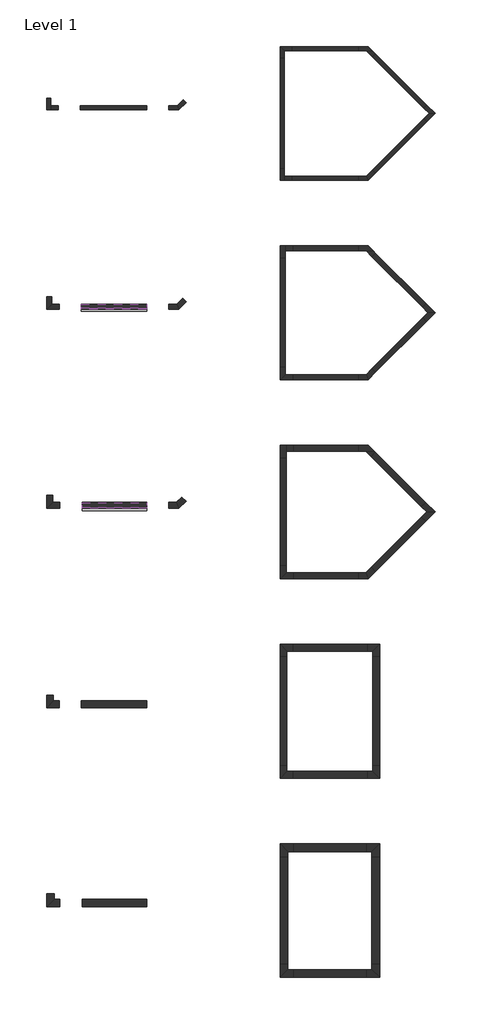
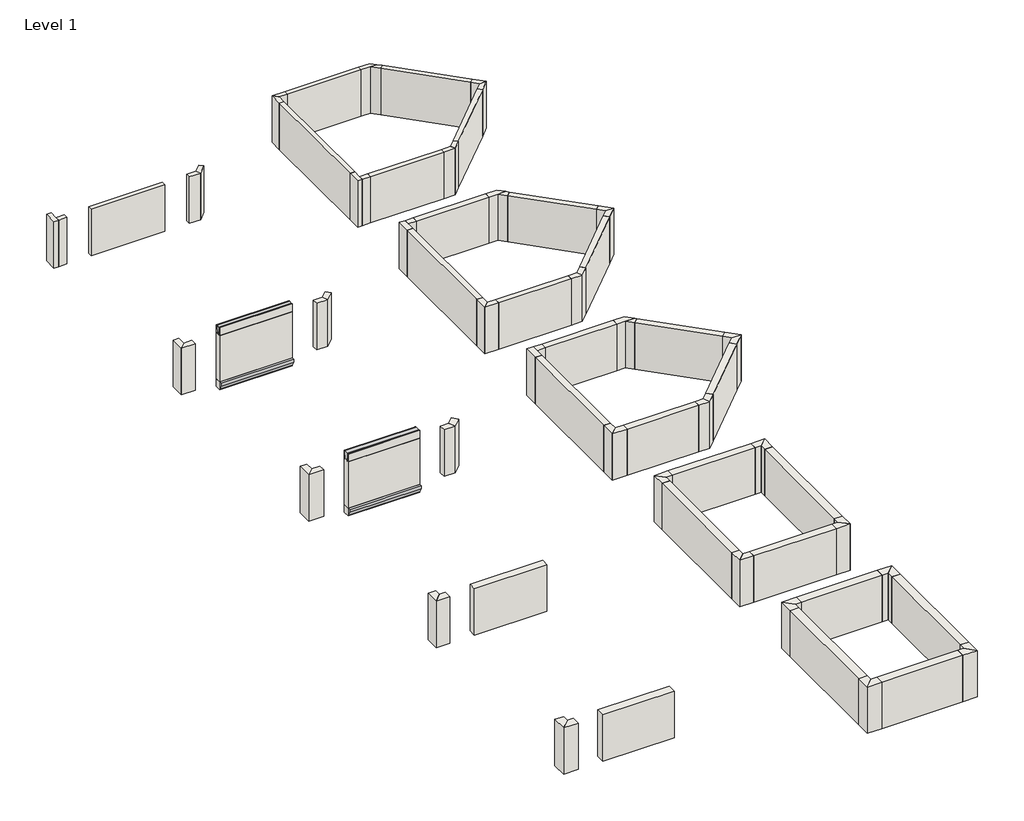
# One storey: 94 walls, 4 proxies.
"""IFC4 building model written with IfcOpenShell, lengths in millimetres."""

from ifc_helpers import new_model, si_unit, frame, origin, origin_with_axes, place, context, project, spatial, polyline, outline, extrude, faceted_brep, element, save

model = new_model("IFC4")

# Units and contexts
model_context = context("Model", 3, world=origin())
ifc_project = project(units=[si_unit("LENGTHUNIT", "METRE", prefix="MILLI")], contexts=[model_context])

# Site, building, storey
site = spatial("IfcSite", under=ifc_project)
building = spatial("IfcBuilding", under=site)
storey = spatial("IfcBuildingStorey", under=building, Name="Level 1", Elevation=0.0)

# Proxies
placement = place(None, origin())
element("IfcBuildingElementProxy", 1, Name="Wall Sweeps", at=placement, inside=storey, context=model_context, shape_type="SweptSolid", body=[
    extrude(outline(polyline([(-22522.9926498, 0.0), (-22522.9926498, -381.0), (-22649.9926498, -146.05), (-22649.9926498, 0.0), (-22522.9926498, 0.0)])), frame((-12667.0820506, 0.0, 0.0), z_axis=(1.0, 0.0, 0.0), x_axis=(0.0, 1.0, 0.0)), (0.0, 0.0, 1.0), 3556.0),
])
element("IfcBuildingElementProxy", 2, Name="Wall Sweeps", at=placement, inside=storey, context=model_context, shape_type="SweptSolid", body=[
    extrude(outline(polyline([(-11550.1926498, 0.0), (-11550.1926498, -381.0), (-11677.1926498, -146.05), (-11677.1926498, 0.0), (-11550.1926498, 0.0)])), frame((-12717.8820506, 0.0, 0.0), z_axis=(1.0, 0.0, 0.0), x_axis=(0.0, 1.0, 0.0)), (0.0, 0.0, 1.0), 3606.8),
])
element("IfcBuildingElementProxy", 3, Name="Wall Sweeps", at=placement, inside=storey, context=model_context, shape_type="SweptSolid", body=[
    extrude(outline(polyline([(-22459.4926498, 2498.725), (-22500.7676498, 2743.2), (-22500.7676498, 2844.8), (-22459.4926498, 2844.8), (-22256.2926498, 2844.8), (-22215.0176498, 2844.8), (-22215.0176498, 2743.2), (-22256.2926498, 2498.725), (-22256.2926498, 2438.4), (-22459.4926498, 2438.4), (-22459.4926498, 2498.725)])), frame((-12667.0820506, 0.0, 0.0), z_axis=(1.0, 0.0, 0.0), x_axis=(0.0, 1.0, 0.0)), (0.0, 0.0, 1.0), 3556.0),
])
element("IfcBuildingElementProxy", 4, Name="Wall Sweeps", at=placement, inside=storey, context=model_context, shape_type="SweptSolid", body=[
    extrude(outline(polyline([(-11486.6926498, 2498.725), (-11527.9676498, 2743.2), (-11527.9676498, 2844.8), (-11486.6926498, 2844.8), (-11334.2926498, 2844.8), (-11293.0176498, 2844.8), (-11293.0176498, 2743.2), (-11334.2926498, 2498.725), (-11334.2926498, 2438.4), (-11486.6926498, 2438.4), (-11486.6926498, 2498.725)])), frame((-12717.8820506, 0.0, 0.0), z_axis=(1.0, 0.0, 0.0), x_axis=(0.0, 1.0, 0.0)), (0.0, 0.0, 1.0), 3606.8),
])

# Walls
element("IfcWall", 5, at=placement, inside=storey, context=model_context, shape_type="Brep", body=[
    faceted_brep([(2527.3298824, 2680.5367059, 0.0), (2991.440662, 2680.5367059, 0.0), (3314.7298824, 2680.5367059, 0.0), (3314.7298824, 2680.5367059, 2438.4), (2991.440662, 2680.5367059, 2438.4), (2527.3298824, 2680.5367059, 2438.4), (2527.3298824, 2909.1367059, 0.0), (2527.3298824, 2909.1367059, 2438.4), (3086.1298824, 2909.1367059, 2438.4), (3086.1298824, 2909.1367059, 0.0)], [[[0, 1, 2, 3, 4, 5]], [[6, 7, 8, 9]], [[2, 1, 0, 6, 9]], [[5, 4, 3, 8, 7]], [[0, 5, 7, 6]], [[3, 2, 9, 8]]]),
])
element("IfcWall", 6, at=placement, inside=storey, context=model_context, shape_type="SweptSolid", body=[
    extrude(outline(polyline([(3319.6165415, 2352.3608264), (2991.440662, 2680.5367059), (3314.7298824, 2680.5367059), (3481.2611517, 2514.0054366), (3319.6165415, 2352.3608264)])), origin_with_axes(), (0.0, 0.0, 1.0), 2438.4),
])
element("IfcWall", 7, at=placement, inside=storey, context=model_context, shape_type="SweptSolid", body=[
    extrude(outline(polyline([(-1536.6701176, 2680.5367059), (-1536.6701176, 2274.1367059), (-1765.2701176, 2274.1367059), (-1765.2701176, 2909.1367059), (-1536.6701176, 2680.5367059)])), origin_with_axes(), (0.0, 0.0, 1.0), 2438.4),
])
element("IfcWall", 8, at=placement, inside=storey, context=model_context, shape_type="SweptSolid", body=[
    extrude(outline(polyline([(-1130.2701176, 2680.5367059), (-1536.6701176, 2680.5367059), (-1765.2701176, 2909.1367059), (-1130.2701176, 2909.1367059), (-1130.2701176, 2680.5367059)])), origin_with_axes(), (0.0, 0.0, 1.0), 2438.4),
])
element("IfcWall", 9, at=placement, inside=storey, context=model_context, shape_type="Brep", body=[
    faceted_brep([(-1765.2701176, -3821.8632941, 0.0), (-1765.2701176, -4456.8632941, 0.0), (-1765.2701176, -4456.8632941, 2438.4), (-1765.2701176, -3821.8632941, 2438.4), (-1536.6701176, -3821.8632941, 0.0), (-1536.6701176, -3821.8632941, 2438.4), (-1536.6701176, -4228.2632941, 2438.4), (-1536.6701176, -4456.8632941, 2438.4), (-1536.6701176, -4456.8632941, 0.0), (-1536.6701176, -4228.2632941, 0.0)], [[[0, 1, 2, 3]], [[4, 5, 6, 7, 8, 9]], [[1, 0, 4, 9, 8]], [[3, 2, 7, 6, 5]], [[0, 3, 5, 4]], [[2, 1, 8, 7]]]),
])
element("IfcWall", 10, at=placement, inside=storey, context=model_context, shape_type="SweptSolid", body=[
    extrude(outline(polyline([(-1130.2701176, -4456.8632941), (-1536.6701176, -4456.8632941), (-1536.6701176, -4228.2632941), (-1130.2701176, -4228.2632941), (-1130.2701176, -4456.8632941)])), origin_with_axes(), (0.0, 0.0, 1.0), 2438.4),
])
element("IfcWall", 11, at=placement, inside=storey, context=model_context, shape_type="SweptSolid", body=[
    extrude(outline(polyline([(6445.840662, -773.8632941), (6158.4724661, -486.4950982), (6320.1170763, -324.8504881), (6769.1298824, -773.8632941), (6445.840662, -773.8632941)])), origin_with_axes(), (0.0, 0.0, 1.0), 2438.4),
])
element("IfcWall", 12, at=placement, inside=storey, context=model_context, shape_type="SweptSolid", body=[
    extrude(outline(polyline([(6158.4724661, -1061.23149), (6445.840662, -773.8632941), (6769.1298824, -773.8632941), (6320.1170763, -1222.8761002), (6158.4724661, -1061.23149)])), origin_with_axes(), (0.0, 0.0, 1.0), 2438.4),
])
element("IfcWall", 13, at=placement, inside=storey, context=model_context, shape_type="SweptSolid", body=[
    extrude(outline(polyline([(3086.1298824, -4456.8632941), (2527.3298824, -4456.8632941), (2527.3298824, -4228.2632941), (2991.440662, -4228.2632941), (3086.1298824, -4456.8632941)])), origin_with_axes(), (0.0, 0.0, 1.0), 2438.4),
])
element("IfcWall", 14, at=placement, inside=storey, context=model_context, shape_type="SweptSolid", body=[
    extrude(outline(polyline([(3481.2611517, -4061.7320248), (3086.1298824, -4456.8632941), (2991.440662, -4228.2632941), (3319.6165415, -3900.0874146), (3481.2611517, -4061.7320248)])), origin_with_axes(), (0.0, 0.0, 1.0), 2438.4),
])
element("IfcWall", 15, at=placement, inside=storey, context=model_context, shape_type="Brep", body=[
    faceted_brep([(2527.3298824, -8343.0632941, 0.0), (2970.398613, -8343.0632941, 0.0), (3365.5298824, -8343.0632941, 0.0), (3365.5298824, -8343.0632941, 2438.4), (2970.398613, -8343.0632941, 2438.4), (2527.3298824, -8343.0632941, 2438.4), (2527.3298824, -8063.6632941, 0.0), (2527.3298824, -8063.6632941, 2438.4), (3086.1298824, -8063.6632941, 2438.4), (3086.1298824, -8063.6632941, 0.0)], [[[0, 1, 2, 3, 4, 5]], [[6, 7, 8, 9]], [[2, 1, 0, 6, 9]], [[5, 4, 3, 8, 7]], [[0, 5, 7, 6]], [[3, 2, 9, 8]]]),
])
element("IfcWall", 16, at=placement, inside=storey, context=model_context, shape_type="SweptSolid", body=[
    extrude(outline(polyline([(3283.695517, -8656.3601981), (2970.398613, -8343.0632941), (3365.5298824, -8343.0632941), (3481.2611517, -8458.7945634), (3283.695517, -8656.3601981)])), origin_with_axes(), (0.0, 0.0, 1.0), 2438.4),
])
element("IfcWall", 17, at=placement, inside=storey, context=model_context, shape_type="Brep", body=[
    faceted_brep([(-1485.8701176, -8749.4632941, 0.0), (-1485.8701176, -8343.0632941, 0.0), (-1485.8701176, -8063.6632941, 0.0), (-1485.8701176, -8063.6632941, 2438.4), (-1485.8701176, -8343.0632941, 2438.4), (-1485.8701176, -8749.4632941, 2438.4), (-1765.2701176, -8749.4632941, 0.0), (-1765.2701176, -8749.4632941, 2438.4), (-1765.2701176, -8063.6632941, 2438.4), (-1765.2701176, -8063.6632941, 0.0)], [[[0, 1, 2, 3, 4, 5]], [[6, 7, 8, 9]], [[2, 1, 0, 6, 9]], [[5, 4, 3, 8, 7]], [[0, 5, 7, 6]], [[3, 2, 9, 8]]]),
])
element("IfcWall", 18, at=placement, inside=storey, context=model_context, shape_type="SweptSolid", body=[
    extrude(outline(polyline([(-1079.4701176, -8343.0632941), (-1485.8701176, -8343.0632941), (-1485.8701176, -8063.6632941), (-1079.4701176, -8063.6632941), (-1079.4701176, -8343.0632941)])), origin_with_axes(), (0.0, 0.0, 1.0), 2438.4),
])
element("IfcWall", 19, at=placement, inside=storey, context=model_context, shape_type="SweptSolid", body=[
    extrude(outline(polyline([(3086.1298824, -15429.6632941), (2527.3298824, -15429.6632941), (2527.3298824, -15150.2632941), (2970.398613, -15150.2632941), (3086.1298824, -15429.6632941)])), origin_with_axes(), (0.0, 0.0, 1.0), 2438.4),
])
element("IfcWall", 20, at=placement, inside=storey, context=model_context, shape_type="SweptSolid", body=[
    extrude(outline(polyline([(3481.2611517, -15034.5320248), (3086.1298824, -15429.6632941), (2970.398613, -15150.2632941), (3283.695517, -14836.9663901), (3481.2611517, -15034.5320248)])), origin_with_axes(), (0.0, 0.0, 1.0), 2438.4),
])
element("IfcWall", 21, at=placement, inside=storey, context=model_context, shape_type="SweptSolid", body=[
    extrude(outline(polyline([(-1765.2701176, -15429.6632941), (-1765.2701176, -14743.8632941), (-1485.8701176, -14743.8632941), (-1485.8701176, -15150.2632941), (-1765.2701176, -15429.6632941)])), origin_with_axes(), (0.0, 0.0, 1.0), 2438.4),
])
element("IfcWall", 22, at=placement, inside=storey, context=model_context, shape_type="SweptSolid", body=[
    extrude(outline(polyline([(-1079.4701176, -15429.6632941), (-1765.2701176, -15429.6632941), (-1485.8701176, -15150.2632941), (-1079.4701176, -15150.2632941), (-1079.4701176, -15429.6632941)])), origin_with_axes(), (0.0, 0.0, 1.0), 2438.4),
])
element("IfcWall", 23, at=placement, inside=storey, context=model_context, shape_type="SweptSolid", body=[
    extrude(outline(polyline([(6769.1298824, -11746.6632941), (6284.1960518, -12231.5971247), (6086.6304172, -12034.03149), (6373.998613, -11746.6632941), (6769.1298824, -11746.6632941)])), origin_with_axes(), (0.0, 0.0, 1.0), 2438.4),
])
element("IfcWall", 24, at=placement, inside=storey, context=model_context, shape_type="SweptSolid", body=[
    extrude(outline(polyline([(6284.1960518, -11261.7294636), (6769.1298824, -11746.6632941), (6373.998613, -11746.6632941), (6086.6304172, -11459.2950982), (6284.1960518, -11261.7294636)])), origin_with_axes(), (0.0, 0.0, 1.0), 2438.4),
])
element("IfcWall", 25, at=placement, inside=storey, context=model_context, shape_type="Brep", body=[
    faceted_brep([(-1435.0701176, -19773.0632941, 0.0), (-1435.0701176, -19366.6632941, 0.0), (-1435.0701176, -19036.4632941, 0.0), (-1435.0701176, -19036.4632941, 2438.4), (-1435.0701176, -19366.6632941, 2438.4), (-1435.0701176, -19773.0632941, 2438.4), (-1765.2701176, -19773.0632941, 0.0), (-1765.2701176, -19773.0632941, 2438.4), (-1765.2701176, -19036.4632941, 2438.4), (-1765.2701176, -19036.4632941, 0.0)], [[[0, 1, 2, 3, 4, 5]], [[6, 7, 8, 9]], [[2, 1, 0, 6, 9]], [[5, 4, 3, 8, 7]], [[0, 5, 7, 6]], [[3, 2, 9, 8]]]),
])
element("IfcWall", 26, at=placement, inside=storey, context=model_context, shape_type="SweptSolid", body=[
    extrude(outline(polyline([(-1028.6701176, -19366.6632941), (-1435.0701176, -19366.6632941), (-1435.0701176, -19036.4632941), (-1028.6701176, -19036.4632941), (-1028.6701176, -19366.6632941)])), origin_with_axes(), (0.0, 0.0, 1.0), 2438.4),
])
element("IfcWall", 27, at=placement, inside=storey, context=model_context, shape_type="SweptSolid", body=[
    extrude(outline(polyline([(-1765.2701176, -26402.4632941), (-1765.2701176, -25665.8632941), (-1435.0701176, -25665.8632941), (-1435.0701176, -26072.2632941), (-1765.2701176, -26402.4632941)])), origin_with_axes(), (0.0, 0.0, 1.0), 2438.4),
])
element("IfcWall", 28, at=placement, inside=storey, context=model_context, shape_type="SweptSolid", body=[
    extrude(outline(polyline([(-1028.6701176, -26402.4632941), (-1765.2701176, -26402.4632941), (-1435.0701176, -26072.2632941), (-1028.6701176, -26072.2632941), (-1028.6701176, -26402.4632941)])), origin_with_axes(), (0.0, 0.0, 1.0), 2438.4),
])
element("IfcWall", 29, at=placement, inside=storey, context=model_context, shape_type="Brep", body=[
    faceted_brep([(2527.3298824, -19366.6632941, 0.0), (2949.3565641, -19366.6632941, 0.0), (3416.3298824, -19366.6632941, 0.0), (3416.3298824, -19366.6632941, 2438.4), (2949.3565641, -19366.6632941, 2438.4), (2527.3298824, -19366.6632941, 2438.4), (2527.3298824, -19036.4632941, 0.0), (2527.3298824, -19036.4632941, 2438.4), (3086.1298824, -19036.4632941, 2438.4), (3086.1298824, -19036.4632941, 0.0)], [[[0, 1, 2, 3, 4, 5]], [[6, 7, 8, 9]], [[2, 1, 0, 6, 9]], [[5, 4, 3, 8, 7]], [[0, 5, 7, 6]], [[3, 2, 9, 8]]]),
])
element("IfcWall", 30, at=placement, inside=storey, context=model_context, shape_type="SweptSolid", body=[
    extrude(outline(polyline([(3247.8622863, -19665.1690164), (2949.3565641, -19366.6632941), (3416.3298824, -19366.6632941), (3481.3489455, -19431.6823572), (3247.8622863, -19665.1690164)])), origin_with_axes(), (0.0, 0.0, 1.0), 2438.4),
])
element("IfcWall", 31, at=placement, inside=storey, context=model_context, shape_type="SweptSolid", body=[
    extrude(outline(polyline([(6302.1565641, -22719.4632941), (6014.7883682, -22432.0950982), (6248.2750273, -22198.6084391), (6769.1298824, -22719.4632941), (6302.1565641, -22719.4632941)])), origin_with_axes(), (0.0, 0.0, 1.0), 2438.4),
])
element("IfcWall", 32, at=placement, inside=storey, context=model_context, shape_type="SweptSolid", body=[
    extrude(outline(polyline([(6014.7883682, -23006.83149), (6302.1565641, -22719.4632941), (6769.1298824, -22719.4632941), (6248.2750273, -23240.3181491), (6014.7883682, -23006.83149)])), origin_with_axes(), (0.0, 0.0, 1.0), 2438.4),
])
element("IfcWall", 33, at=placement, inside=storey, context=model_context, shape_type="SweptSolid", body=[
    extrude(outline(polyline([(3086.1298824, -26402.4632941), (2527.3298824, -26402.4632941), (2527.3298824, -26072.2632941), (2949.3565641, -26072.2632941), (3086.1298824, -26402.4632941)])), origin_with_axes(), (0.0, 0.0, 1.0), 2438.4),
])
element("IfcWall", 34, at=placement, inside=storey, context=model_context, shape_type="SweptSolid", body=[
    extrude(outline(polyline([(3481.3489455, -26007.244231), (3086.1298824, -26402.4632941), (2949.3565641, -26072.2632941), (3247.8622863, -25773.7575719), (3481.3489455, -26007.244231)])), origin_with_axes(), (0.0, 0.0, 1.0), 2438.4),
])
element("IfcWall", 35, at=placement, inside=storey, context=model_context, shape_type="Brep", body=[
    faceted_brep([(-14622.8820506, 57.6073502, 0.0), (-14622.8820506, -577.3926498, 0.0), (-14622.8820506, -577.3926498, 2438.4), (-14622.8820506, 57.6073502, 2438.4), (-14394.2820506, 57.6073502, 0.0), (-14394.2820506, 57.6073502, 2438.4), (-14394.2820506, -348.7926498, 2438.4), (-14394.2820506, -577.3926498, 2438.4), (-14394.2820506, -577.3926498, 0.0), (-14394.2820506, -348.7926498, 0.0)], [[[0, 1, 2, 3]], [[4, 5, 6, 7, 8, 9]], [[1, 0, 4, 9, 8]], [[3, 2, 7, 6, 5]], [[0, 3, 5, 4]], [[2, 1, 8, 7]]]),
])
element("IfcWall", 36, at=placement, inside=storey, context=model_context, shape_type="SweptSolid", body=[
    extrude(outline(polyline([(-13987.8820506, -577.3926498), (-14394.2820506, -577.3926498), (-14394.2820506, -348.7926498), (-13987.8820506, -348.7926498), (-13987.8820506, -577.3926498)])), origin_with_axes(), (0.0, 0.0, 1.0), 2438.4),
])
element("IfcWall", 37, at=placement, inside=storey, context=model_context, shape_type="SweptSolid", body=[
    extrude(outline(polyline([(-7333.0820506, -577.3926498), (-7891.8820506, -577.3926498), (-7891.8820506, -348.7926498), (-7427.7712709, -348.7926498), (-7333.0820506, -577.3926498)])), origin_with_axes(), (0.0, 0.0, 1.0), 2438.4),
])
element("IfcWall", 38, at=placement, inside=storey, context=model_context, shape_type="SweptSolid", body=[
    extrude(outline(polyline([(-6937.9507812, -182.2613805), (-7333.0820506, -577.3926498), (-7427.7712709, -348.7926498), (-7099.5953914, -20.6167703), (-6937.9507812, -182.2613805)])), origin_with_axes(), (0.0, 0.0, 1.0), 2438.4),
])
element("IfcWall", 39, at=placement, inside=storey, context=model_context, shape_type="SweptSolid", body=[
    extrude(outline(polyline([(-7333.0820506, -11550.1926498), (-7891.8820506, -11550.1926498), (-7891.8820506, -11270.7926498), (-7448.8133199, -11270.7926498), (-7333.0820506, -11550.1926498)])), origin_with_axes(), (0.0, 0.0, 1.0), 2438.4),
])
element("IfcWall", 40, at=placement, inside=storey, context=model_context, shape_type="SweptSolid", body=[
    extrude(outline(polyline([(-6937.9507812, -11155.0613805), (-7333.0820506, -11550.1926498), (-7448.8133199, -11270.7926498), (-7135.5164159, -10957.4957458), (-6937.9507812, -11155.0613805)])), origin_with_axes(), (0.0, 0.0, 1.0), 2438.4),
])
element("IfcWall", 41, at=placement, inside=storey, context=model_context, shape_type="SweptSolid", body=[
    extrude(outline(polyline([(-14622.8820506, -11550.1926498), (-14622.8820506, -10864.3926498), (-14343.4820506, -10864.3926498), (-14343.4820506, -11270.7926498), (-14622.8820506, -11550.1926498)])), origin_with_axes(), (0.0, 0.0, 1.0), 2438.4),
])
element("IfcWall", 42, at=placement, inside=storey, context=model_context, shape_type="SweptSolid", body=[
    extrude(outline(polyline([(-13937.0820506, -11550.1926498), (-14622.8820506, -11550.1926498), (-14343.4820506, -11270.7926498), (-13937.0820506, -11270.7926498), (-13937.0820506, -11550.1926498)])), origin_with_axes(), (0.0, 0.0, 1.0), 2438.4),
])
element("IfcWall", 43, at=placement, inside=storey, context=model_context, shape_type="SweptSolid", body=[
    extrude(outline(polyline([(-14622.8820506, -22522.9926498), (-14622.8820506, -21786.3926498), (-14292.6820506, -21786.3926498), (-14292.6820506, -22192.7926498), (-14622.8820506, -22522.9926498)])), origin_with_axes(), (0.0, 0.0, 1.0), 2438.4),
])
element("IfcWall", 44, at=placement, inside=storey, context=model_context, shape_type="SweptSolid", body=[
    extrude(outline(polyline([(-13886.2820506, -22522.9926498), (-14622.8820506, -22522.9926498), (-14292.6820506, -22192.7926498), (-13886.2820506, -22192.7926498), (-13886.2820506, -22522.9926498)])), origin_with_axes(), (0.0, 0.0, 1.0), 2438.4),
])
element("IfcWall", 45, at=placement, inside=storey, context=model_context, shape_type="SweptSolid", body=[
    extrude(outline(polyline([(-7333.0820506, -22522.9926498), (-7891.8820506, -22522.9926498), (-7891.8820506, -22192.7926498), (-7469.8553688, -22192.7926498), (-7333.0820506, -22522.9926498)])), origin_with_axes(), (0.0, 0.0, 1.0), 2438.4),
])
element("IfcWall", 46, at=placement, inside=storey, context=model_context, shape_type="SweptSolid", body=[
    extrude(outline(polyline([(-6937.8629875, -22127.7735867), (-7333.0820506, -22522.9926498), (-7469.8553688, -22192.7926498), (-7171.3496466, -21894.2869276), (-6937.8629875, -22127.7735867)])), origin_with_axes(), (0.0, 0.0, 1.0), 2438.4),
])
element("IfcWall", 47, at=placement, inside=storey, context=model_context, shape_type="SweptSolid", body=[
    extrude(outline(polyline([(-14622.8820506, -33495.7926498), (-14622.8820506, -32809.9926498), (-14241.8820506, -32809.9926498), (-14241.8820506, -33114.7926498), (-14622.8820506, -33495.7926498)])), origin_with_axes(), (0.0, 0.0, 1.0), 2438.4),
])
element("IfcWall", 48, at=placement, inside=storey, context=model_context, shape_type="SweptSolid", body=[
    extrude(outline(polyline([(-13937.0820506, -33495.7926498), (-14622.8820506, -33495.7926498), (-14241.8820506, -33114.7926498), (-13937.0820506, -33114.7926498), (-13937.0820506, -33495.7926498)])), origin_with_axes(), (0.0, 0.0, 1.0), 2438.4),
])
element("IfcWall", 49, at=placement, inside=storey, context=model_context, shape_type="SweptSolid", body=[
    extrude(outline(polyline([(-14622.8820506, -44468.5926498), (-14622.8820506, -43731.9926498), (-14191.0820506, -43731.9926498), (-14191.0820506, -44036.7926498), (-14622.8820506, -44468.5926498)])), origin_with_axes(), (0.0, 0.0, 1.0), 2438.4),
])
element("IfcWall", 50, at=placement, inside=storey, context=model_context, shape_type="SweptSolid", body=[
    extrude(outline(polyline([(-13886.2820506, -44468.5926498), (-14622.8820506, -44468.5926498), (-14191.0820506, -44036.7926498), (-13886.2820506, -44036.7926498), (-13886.2820506, -44468.5926498)])), origin_with_axes(), (0.0, 0.0, 1.0), 2438.4),
])
element("IfcWall", 51, at=placement, inside=storey, context=model_context, shape_type="SweptSolid", body=[
    extrude(outline(polyline([(-1384.2701176, -30390.2632941), (-1384.2701176, -30695.0632941), (-1765.2701176, -30695.0632941), (-1765.2701176, -30009.2632941), (-1384.2701176, -30390.2632941)])), origin_with_axes(), (0.0, 0.0, 1.0), 2438.4),
])
element("IfcWall", 52, at=placement, inside=storey, context=model_context, shape_type="SweptSolid", body=[
    extrude(outline(polyline([(-1079.4701176, -30390.2632941), (-1384.2701176, -30390.2632941), (-1765.2701176, -30009.2632941), (-1079.4701176, -30009.2632941), (-1079.4701176, -30390.2632941)])), origin_with_axes(), (0.0, 0.0, 1.0), 2438.4),
])
element("IfcWall", 53, at=placement, inside=storey, context=model_context, shape_type="SweptSolid", body=[
    extrude(outline(polyline([(-1765.2701176, -37375.2632941), (-1765.2701176, -36689.4632941), (-1384.2701176, -36689.4632941), (-1384.2701176, -36994.2632941), (-1765.2701176, -37375.2632941)])), origin_with_axes(), (0.0, 0.0, 1.0), 2438.4),
])
element("IfcWall", 54, at=placement, inside=storey, context=model_context, shape_type="SweptSolid", body=[
    extrude(outline(polyline([(-1079.4701176, -37375.2632941), (-1765.2701176, -37375.2632941), (-1384.2701176, -36994.2632941), (-1079.4701176, -36994.2632941), (-1079.4701176, -37375.2632941)])), origin_with_axes(), (0.0, 0.0, 1.0), 2438.4),
])
element("IfcWall", 55, at=placement, inside=storey, context=model_context, shape_type="SweptSolid", body=[
    extrude(outline(polyline([(-1333.4701176, -41413.8632941), (-1333.4701176, -41718.6632941), (-1765.2701176, -41718.6632941), (-1765.2701176, -40982.0632941), (-1333.4701176, -41413.8632941)])), origin_with_axes(), (0.0, 0.0, 1.0), 2438.4),
])
element("IfcWall", 56, at=placement, inside=storey, context=model_context, shape_type="SweptSolid", body=[
    extrude(outline(polyline([(-1028.6701176, -41413.8632941), (-1333.4701176, -41413.8632941), (-1765.2701176, -40982.0632941), (-1028.6701176, -40982.0632941), (-1028.6701176, -41413.8632941)])), origin_with_axes(), (0.0, 0.0, 1.0), 2438.4),
])
element("IfcWall", 57, at=placement, inside=storey, context=model_context, shape_type="SweptSolid", body=[
    extrude(outline(polyline([(-1765.2701176, -48348.0632941), (-1765.2701176, -47611.4632941), (-1333.4701176, -47611.4632941), (-1333.4701176, -47916.2632941), (-1765.2701176, -48348.0632941)])), origin_with_axes(), (0.0, 0.0, 1.0), 2438.4),
])
element("IfcWall", 58, at=placement, inside=storey, context=model_context, shape_type="SweptSolid", body=[
    extrude(outline(polyline([(-1028.6701176, -48348.0632941), (-1765.2701176, -48348.0632941), (-1333.4701176, -47916.2632941), (-1028.6701176, -47916.2632941), (-1028.6701176, -48348.0632941)])), origin_with_axes(), (0.0, 0.0, 1.0), 2438.4),
])
element("IfcWall", 59, at=placement, inside=storey, context=model_context, shape_type="SweptSolid", body=[
    extrude(outline(polyline([(3721.1298824, -30009.2632941), (3721.1298824, -30695.0632941), (3340.1298824, -30695.0632941), (3340.1298824, -30390.2632941), (3721.1298824, -30009.2632941)])), origin_with_axes(), (0.0, 0.0, 1.0), 2438.4),
])
element("IfcWall", 60, at=placement, inside=storey, context=model_context, shape_type="SweptSolid", body=[
    extrude(outline(polyline([(3035.3298824, -30009.2632941), (3721.1298824, -30009.2632941), (3340.1298824, -30390.2632941), (3035.3298824, -30390.2632941), (3035.3298824, -30009.2632941)])), origin_with_axes(), (0.0, 0.0, 1.0), 2438.4),
])
element("IfcWall", 61, at=placement, inside=storey, context=model_context, shape_type="SweptSolid", body=[
    extrude(outline(polyline([(3340.1298824, -36994.2632941), (3340.1298824, -36689.4632941), (3721.1298824, -36689.4632941), (3721.1298824, -37375.2632941), (3340.1298824, -36994.2632941)])), origin_with_axes(), (0.0, 0.0, 1.0), 2438.4),
])
element("IfcWall", 62, at=placement, inside=storey, context=model_context, shape_type="SweptSolid", body=[
    extrude(outline(polyline([(3035.3298824, -36994.2632941), (3340.1298824, -36994.2632941), (3721.1298824, -37375.2632941), (3035.3298824, -37375.2632941), (3035.3298824, -36994.2632941)])), origin_with_axes(), (0.0, 0.0, 1.0), 2438.4),
])
element("IfcWall", 63, at=placement, inside=storey, context=model_context, shape_type="SweptSolid", body=[
    extrude(outline(polyline([(3721.1298824, -40982.0632941), (3721.1298824, -41718.6632941), (3289.3298824, -41718.6632941), (3289.3298824, -41413.8632941), (3721.1298824, -40982.0632941)])), origin_with_axes(), (0.0, 0.0, 1.0), 2438.4),
])
element("IfcWall", 64, at=placement, inside=storey, context=model_context, shape_type="SweptSolid", body=[
    extrude(outline(polyline([(2984.5298824, -40982.0632941), (3721.1298824, -40982.0632941), (3289.3298824, -41413.8632941), (2984.5298824, -41413.8632941), (2984.5298824, -40982.0632941)])), origin_with_axes(), (0.0, 0.0, 1.0), 2438.4),
])
element("IfcWall", 65, at=placement, inside=storey, context=model_context, shape_type="SweptSolid", body=[
    extrude(outline(polyline([(3289.3298824, -47916.2632941), (3289.3298824, -47611.4632941), (3721.1298824, -47611.4632941), (3721.1298824, -48348.0632941), (3289.3298824, -47916.2632941)])), origin_with_axes(), (0.0, 0.0, 1.0), 2438.4),
])
element("IfcWall", 66, at=placement, inside=storey, context=model_context, shape_type="SweptSolid", body=[
    extrude(outline(polyline([(2984.5298824, -47916.2632941), (3289.3298824, -47916.2632941), (3721.1298824, -48348.0632941), (2984.5298824, -48348.0632941), (2984.5298824, -47916.2632941)])), origin_with_axes(), (0.0, 0.0, 1.0), 2438.4),
])
element("IfcWall", 67, ObjectType="BB-1000 10\" Blank Wall", at=placement, inside=storey, context=model_context, shape_type="SweptSolid", body=[
    extrude(outline(polyline([(-1079.4701176, -30009.2632941), (3035.3298824, -30009.2632941), (3035.3298824, -30390.2632941), (-1079.4701176, -30390.2632941), (-1079.4701176, -30009.2632941)])), origin_with_axes(), (0.0, 0.0, 1.0), 2438.4),
])
element("IfcWall", 68, ObjectType="BB-1000 10\" Blank Wall", at=placement, inside=storey, context=model_context, shape_type="SweptSolid", body=[
    extrude(outline(polyline([(-1765.2701176, -36689.4632941), (-1765.2701176, -30695.0632941), (-1384.2701176, -30695.0632941), (-1384.2701176, -36689.4632941), (-1765.2701176, -36689.4632941)])), origin_with_axes(), (0.0, 0.0, 1.0), 2438.4),
])
element("IfcWall", 69, ObjectType="BB-1000 10\" Blank Wall", at=placement, inside=storey, context=model_context, shape_type="SweptSolid", body=[
    extrude(outline(polyline([(3035.3298824, -37375.2632941), (-1079.4701176, -37375.2632941), (-1079.4701176, -36994.2632941), (3035.3298824, -36994.2632941), (3035.3298824, -37375.2632941)])), origin_with_axes(), (0.0, 0.0, 1.0), 2438.4),
])
element("IfcWall", 70, ObjectType="BB-1000 10\" Blank Wall", at=placement, inside=storey, context=model_context, shape_type="SweptSolid", body=[
    extrude(outline(polyline([(-9111.0820506, -33495.7926498), (-12717.8820506, -33495.7926498), (-12717.8820506, -33114.7926498), (-9111.0820506, -33114.7926498), (-9111.0820506, -33495.7926498)])), origin_with_axes(), (0.0, 0.0, 1.0), 2438.4),
])
element("IfcWall", 71, ObjectType="BB-1000 10\" Blank Wall", at=placement, inside=storey, context=model_context, shape_type="SweptSolid", body=[
    extrude(outline(polyline([(3340.1298824, -36689.4632941), (3340.1298824, -30695.0632941), (3721.1298824, -30695.0632941), (3721.1298824, -36689.4632941), (3340.1298824, -36689.4632941)])), origin_with_axes(), (0.0, 0.0, 1.0), 2438.4),
])
element("IfcWall", 72, ObjectType="BB-1200 12\" Blank Wall", at=placement, inside=storey, context=model_context, shape_type="SweptSolid", body=[
    extrude(outline(polyline([(-1028.6701176, -40982.0632941), (2984.5298824, -40982.0632941), (2984.5298824, -41413.8632941), (-1028.6701176, -41413.8632941), (-1028.6701176, -40982.0632941)])), origin_with_axes(), (0.0, 0.0, 1.0), 2438.4),
])
element("IfcWall", 73, ObjectType="BB-1200 12\" Blank Wall", at=placement, inside=storey, context=model_context, shape_type="SweptSolid", body=[
    extrude(outline(polyline([(-1765.2701176, -47611.4632941), (-1765.2701176, -41718.6632941), (-1333.4701176, -41718.6632941), (-1333.4701176, -47611.4632941), (-1765.2701176, -47611.4632941)])), origin_with_axes(), (0.0, 0.0, 1.0), 2438.4),
])
element("IfcWall", 74, ObjectType="BB-1200 12\" Blank Wall", at=placement, inside=storey, context=model_context, shape_type="SweptSolid", body=[
    extrude(outline(polyline([(2984.5298824, -48348.0632941), (-1028.6701176, -48348.0632941), (-1028.6701176, -47916.2632941), (2984.5298824, -47916.2632941), (2984.5298824, -48348.0632941)])), origin_with_axes(), (0.0, 0.0, 1.0), 2438.4),
])
element("IfcWall", 75, ObjectType="BB-1200 12\" Blank Wall", at=placement, inside=storey, context=model_context, shape_type="SweptSolid", body=[
    extrude(outline(polyline([(-9111.0820506, -44468.5926498), (-12667.0820506, -44468.5926498), (-12667.0820506, -44036.7926498), (-9111.0820506, -44036.7926498), (-9111.0820506, -44468.5926498)])), origin_with_axes(), (0.0, 0.0, 1.0), 2438.4),
])
element("IfcWall", 76, ObjectType="BB-1200 12\" Blank Wall", at=placement, inside=storey, context=model_context, shape_type="SweptSolid", body=[
    extrude(outline(polyline([(3289.3298824, -47611.4632941), (3289.3298824, -41718.6632941), (3721.1298824, -41718.6632941), (3721.1298824, -47611.4632941), (3289.3298824, -47611.4632941)])), origin_with_axes(), (0.0, 0.0, 1.0), 2438.4),
])
element("IfcWall", 77, ObjectType="BB-400 4\" Blank Wall", at=placement, inside=storey, context=model_context, shape_type="SweptSolid", body=[
    extrude(outline(polyline([(-1130.2701176, 2909.1367059), (2527.3298824, 2909.1367059), (2527.3298824, 2680.5367059), (-1130.2701176, 2680.5367059), (-1130.2701176, 2909.1367059)])), origin_with_axes(), (0.0, 0.0, 1.0), 2438.4),
])
element("IfcWall", 78, ObjectType="BB-400 4\" Blank Wall", at=placement, inside=storey, context=model_context, shape_type="SweptSolid", body=[
    extrude(outline(polyline([(-1765.2701176, -3821.8632941), (-1765.2701176, 2274.1367059), (-1536.6701176, 2274.1367059), (-1536.6701176, -3821.8632941), (-1765.2701176, -3821.8632941)])), origin_with_axes(), (0.0, 0.0, 1.0), 2438.4),
])
element("IfcWall", 79, ObjectType="BB-400 4\" Blank Wall", at=placement, inside=storey, context=model_context, shape_type="SweptSolid", body=[
    extrude(outline(polyline([(2527.3298824, -4456.8632941), (-1130.2701176, -4456.8632941), (-1130.2701176, -4228.2632941), (2527.3298824, -4228.2632941), (2527.3298824, -4456.8632941)])), origin_with_axes(), (0.0, 0.0, 1.0), 2438.4),
])
element("IfcWall", 80, ObjectType="BB-400 4\" Blank Wall", at=placement, inside=storey, context=model_context, shape_type="SweptSolid", body=[
    extrude(outline(polyline([(6320.1170763, -1222.8761002), (3481.2611517, -4061.7320248), (3319.6165415, -3900.0874146), (6158.4724661, -1061.23149), (6320.1170763, -1222.8761002)])), origin_with_axes(), (0.0, 0.0, 1.0), 2438.4),
])
element("IfcWall", 81, ObjectType="BB-400 4\" Blank Wall", at=placement, inside=storey, context=model_context, shape_type="SweptSolid", body=[
    extrude(outline(polyline([(6158.4724661, -486.4950982), (3319.6165415, 2352.3608264), (3481.2611517, 2514.0054366), (6320.1170763, -324.8504881), (6158.4724661, -486.4950982)])), origin_with_axes(), (0.0, 0.0, 1.0), 2438.4),
])
element("IfcWall", 82, ObjectType="BB-400 4\" Blank Wall", at=placement, inside=storey, context=model_context, shape_type="SweptSolid", body=[
    extrude(outline(polyline([(-9111.0820506, -577.3926498), (-12768.6820506, -577.3926498), (-12768.6820506, -348.7926498), (-9111.0820506, -348.7926498), (-9111.0820506, -577.3926498)])), origin_with_axes(), (0.0, 0.0, 1.0), 2438.4),
])
element("IfcWall", 83, ObjectType="BB-600 6\" Blank Wall", at=placement, inside=storey, context=model_context, shape_type="SweptSolid", body=[
    extrude(outline(polyline([(-1079.4701176, -8063.6632941), (2527.3298824, -8063.6632941), (2527.3298824, -8343.0632941), (-1079.4701176, -8343.0632941), (-1079.4701176, -8063.6632941)])), origin_with_axes(), (0.0, 0.0, 1.0), 2438.4),
])
element("IfcWall", 84, ObjectType="BB-600 6\" Blank Wall", at=placement, inside=storey, context=model_context, shape_type="SweptSolid", body=[
    extrude(outline(polyline([(-1765.2701176, -14743.8632941), (-1765.2701176, -8749.4632941), (-1485.8701176, -8749.4632941), (-1485.8701176, -14743.8632941), (-1765.2701176, -14743.8632941)])), origin_with_axes(), (0.0, 0.0, 1.0), 2438.4),
])
element("IfcWall", 85, ObjectType="BB-600 6\" Blank Wall", at=placement, inside=storey, context=model_context, shape_type="SweptSolid", body=[
    extrude(outline(polyline([(2527.3298824, -15429.6632941), (-1079.4701176, -15429.6632941), (-1079.4701176, -15150.2632941), (2527.3298824, -15150.2632941), (2527.3298824, -15429.6632941)])), origin_with_axes(), (0.0, 0.0, 1.0), 2438.4),
])
element("IfcWall", 86, ObjectType="BB-600 6\" Blank Wall", at=placement, inside=storey, context=model_context, shape_type="SweptSolid", body=[
    extrude(outline(polyline([(6284.1960518, -12231.5971247), (3481.2611517, -15034.5320248), (3283.695517, -14836.9663901), (6086.6304172, -12034.03149), (6284.1960518, -12231.5971247)])), origin_with_axes(), (0.0, 0.0, 1.0), 2438.4),
])
element("IfcWall", 87, ObjectType="BB-600 6\" Blank Wall", at=placement, inside=storey, context=model_context, shape_type="SweptSolid", body=[
    extrude(outline(polyline([(6086.6304172, -11459.2950982), (3283.695517, -8656.3601981), (3481.2611517, -8458.7945634), (6284.1960518, -11261.7294636), (6086.6304172, -11459.2950982)])), origin_with_axes(), (0.0, 0.0, 1.0), 2438.4),
])
element("IfcWall", 88, ObjectType="BB-600 6\" Blank Wall", at=placement, inside=storey, context=model_context, shape_type="SweptSolid", body=[
    extrude(outline(polyline([(-9111.0820506, -11550.1926498), (-12717.8820506, -11550.1926498), (-12717.8820506, -11270.7926498), (-9111.0820506, -11270.7926498), (-9111.0820506, -11550.1926498)])), origin_with_axes(), (0.0, 0.0, 1.0), 2438.4),
])
element("IfcWall", 89, ObjectType="BB-6BL 6\" Brick Ledge Wall Base", at=placement, inside=storey, context=model_context, shape_type="Brep", body=[
    faceted_brep([(-12717.8820506, -11550.1926498, -406.4), (-9111.0820506, -11550.1926498, -406.4), (-9111.0820506, -11550.1926498, -381.0), (-9111.0820506, -11550.1926498, 0.0), (-12717.8820506, -11550.1926498, 0.0), (-12717.8820506, -11550.1926498, -381.0), (-12717.8820506, -11270.7926498, -406.4), (-12717.8820506, -11270.7926498, 0.0), (-9111.0820506, -11270.7926498, 0.0), (-9111.0820506, -11270.7926498, -406.4)], [[[0, 1, 2, 3, 4, 5]], [[6, 7, 8, 9]], [[1, 0, 6, 9]], [[3, 2, 1, 9, 8]], [[4, 3, 8, 7]], [[0, 5, 4, 7, 6]]]),
])
element("IfcWall", 90, ObjectType="BB-6DT 6\" Double Taper Top Block", at=placement, inside=storey, context=model_context, shape_type="SweptSolid", body=[
    extrude(outline(polyline([(-11550.1926498, 2438.4), (-11550.1926498, 2844.8), (-11527.9676498, 2844.8), (-11527.9676498, 2743.2), (-11486.6926498, 2498.725), (-11486.6926498, 2438.4), (-11550.1926498, 2438.4)])), frame((-12717.8820506, 0.0, 0.0), z_axis=(1.0, 0.0, 0.0), x_axis=(0.0, 1.0, 0.0)), (0.0, 0.0, 1.0), 3606.8),
    extrude(outline(polyline([(-11270.7926498, 2844.8), (-11270.7926498, 2438.4), (-11334.2926498, 2438.4), (-11334.2926498, 2498.725), (-11293.0176498, 2743.2), (-11293.0176498, 2844.8), (-11270.7926498, 2844.8)])), frame((-12717.8820506, 0.0, 0.0), z_axis=(1.0, 0.0, 0.0), x_axis=(0.0, 1.0, 0.0)), (0.0, 0.0, 1.0), 3606.8),
])
element("IfcWall", 91, ObjectType="BB-800 8\" Blank Wall", at=placement, inside=storey, context=model_context, shape_type="SweptSolid", body=[
    extrude(outline(polyline([(-1028.6701176, -19036.4632941), (2527.3298824, -19036.4632941), (2527.3298824, -19366.6632941), (-1028.6701176, -19366.6632941), (-1028.6701176, -19036.4632941)])), origin_with_axes(), (0.0, 0.0, 1.0), 2438.4),
])
element("IfcWall", 92, ObjectType="BB-800 8\" Blank Wall", at=placement, inside=storey, context=model_context, shape_type="SweptSolid", body=[
    extrude(outline(polyline([(-1765.2701176, -25665.8632941), (-1765.2701176, -19773.0632941), (-1435.0701176, -19773.0632941), (-1435.0701176, -25665.8632941), (-1765.2701176, -25665.8632941)])), origin_with_axes(), (0.0, 0.0, 1.0), 2438.4),
])
element("IfcWall", 93, ObjectType="BB-800 8\" Blank Wall", at=placement, inside=storey, context=model_context, shape_type="SweptSolid", body=[
    extrude(outline(polyline([(2527.3298824, -26402.4632941), (-1028.6701176, -26402.4632941), (-1028.6701176, -26072.2632941), (2527.3298824, -26072.2632941), (2527.3298824, -26402.4632941)])), origin_with_axes(), (0.0, 0.0, 1.0), 2438.4),
])
element("IfcWall", 94, ObjectType="BB-800 8\" Blank Wall", at=placement, inside=storey, context=model_context, shape_type="SweptSolid", body=[
    extrude(outline(polyline([(6248.2750273, -23240.3181491), (3481.3489455, -26007.244231), (3247.8622863, -25773.7575719), (6014.7883682, -23006.83149), (6248.2750273, -23240.3181491)])), origin_with_axes(), (0.0, 0.0, 1.0), 2438.4),
])
element("IfcWall", 95, ObjectType="BB-800 8\" Blank Wall", at=placement, inside=storey, context=model_context, shape_type="SweptSolid", body=[
    extrude(outline(polyline([(6014.7883682, -22432.0950982), (3247.8622863, -19665.1690164), (3481.3489455, -19431.6823572), (6248.2750273, -22198.6084391), (6014.7883682, -22432.0950982)])), origin_with_axes(), (0.0, 0.0, 1.0), 2438.4),
])
element("IfcWall", 96, ObjectType="BB-800 8\" Blank Wall", at=placement, inside=storey, context=model_context, shape_type="SweptSolid", body=[
    extrude(outline(polyline([(-9111.0820506, -22522.9926498), (-12667.0820506, -22522.9926498), (-12667.0820506, -22192.7926498), (-9111.0820506, -22192.7926498), (-9111.0820506, -22522.9926498)])), origin_with_axes(), (0.0, 0.0, 1.0), 2438.4),
])
element("IfcWall", 97, ObjectType="BB-8BL 8\" Ledge Block Wall Base", at=placement, inside=storey, context=model_context, shape_type="Brep", body=[
    faceted_brep([(-12667.0820506, -22522.9926498, -406.4), (-9111.0820506, -22522.9926498, -406.4), (-9111.0820506, -22522.9926498, -381.0), (-9111.0820506, -22522.9926498, 0.0), (-12667.0820506, -22522.9926498, 0.0), (-12667.0820506, -22522.9926498, -381.0), (-12667.0820506, -22192.7926498, -406.4), (-12667.0820506, -22192.7926498, 0.0), (-9111.0820506, -22192.7926498, 0.0), (-9111.0820506, -22192.7926498, -406.4)], [[[0, 1, 2, 3, 4, 5]], [[6, 7, 8, 9]], [[1, 0, 6, 9]], [[3, 2, 1, 9, 8]], [[4, 3, 8, 7]], [[0, 5, 4, 7, 6]]]),
])
element("IfcWall", 98, ObjectType="BB-8DT 8\" Double Taper Top Block", at=placement, inside=storey, context=model_context, shape_type="SweptSolid", body=[
    extrude(outline(polyline([(-22522.9926498, 2438.4), (-22522.9926498, 2844.8), (-22500.7676498, 2844.8), (-22500.7676498, 2743.2), (-22459.4926498, 2498.725), (-22459.4926498, 2438.4), (-22522.9926498, 2438.4)])), frame((-12667.0820506, 0.0, 0.0), z_axis=(1.0, 0.0, 0.0), x_axis=(0.0, 1.0, 0.0)), (0.0, 0.0, 1.0), 3556.0),
    extrude(outline(polyline([(-22192.7926498, 2844.8), (-22192.7926498, 2438.4), (-22256.2926498, 2438.4), (-22256.2926498, 2498.725), (-22215.0176498, 2743.2), (-22215.0176498, 2844.8), (-22192.7926498, 2844.8)])), frame((-12667.0820506, 0.0, 0.0), z_axis=(1.0, 0.0, 0.0), x_axis=(0.0, 1.0, 0.0)), (0.0, 0.0, 1.0), 3556.0),
])

save(model, "model.ifc")
